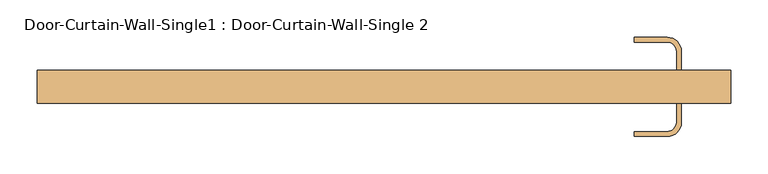
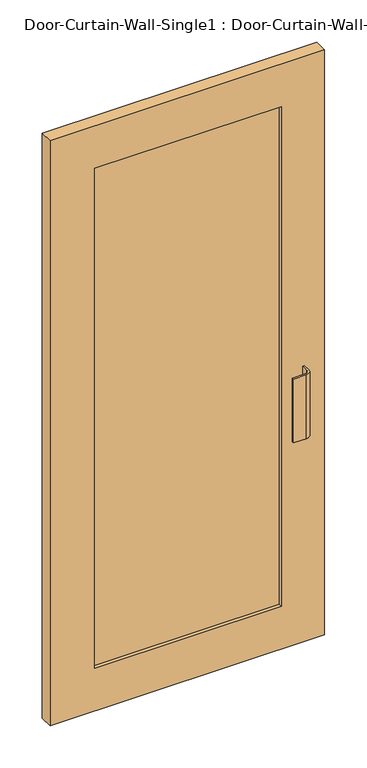
"""IFC4 building model written with IfcOpenShell, lengths in millimetres: door geometry, Door-Curtain-Wall-Single1 : Door-Curtain-Wall-Single 2."""

from ifc_helpers import new_model, si_unit, point, frame, frame_2d, origin, place, context, project, spatial, polyline, circle_curve, trimmed, segment, composite_curve, outline, extrude, source, transform, mapped, element, save


def door_curtain_wall_single1_door_curtain_wall_single_2_8e6265d3(model_context):
    return source(origin(), model_context, "Body", "SweptSolid", [
        extrude(outline(polyline([(2101.85, 466.725), (2101.85, -466.725), (0.0, -466.725), (0.0, 466.725), (2101.85, 466.725)]), holes=[polyline([(1949.45, -314.325), (1949.45, 320.675), (152.4, 320.675), (152.4, -314.325), (1949.45, -314.325)])]), frame((0.0, -57.15, 0.0), z_axis=(0.0, 1.0, 0.0), x_axis=(0.0, 0.0, 1.0)), (0.0, 0.0, 1.0), 44.45),
        extrude(outline(polyline([(320.675, -25.4), (320.675, -44.45), (-314.325, -44.45), (-314.325, -25.4), (320.675, -25.4)])), frame((0.0, 0.0, 152.4), z_axis=(0.0, 0.0, 1.0), x_axis=(1.0, 0.0, 0.0)), (0.0, 0.0, 1.0), 1797.05),
        extrude(outline(composite_curve([segment(polyline([(400.05, 12.7), (400.05, -12.7), (393.7, -12.7), (393.7, 12.7)]), True, "CONTINUOUS"), segment(trimmed(circle_curve(frame_2d((381.0, 12.7)), 12.7), [point((393.7, 12.7))], [point((381.0, 25.4))], True, "CARTESIAN"), True, "CONTINUOUS"), segment(polyline([(381.0, 25.4), (336.55, 25.4), (336.55, 31.75), (381.0, 31.75)]), True, "CONTINUOUS"), segment(trimmed(circle_curve(frame_2d((381.0, 12.7)), 19.05), [point((381.0, 31.75))], [point((400.05, 12.7))], False, "CARTESIAN"), True, "CONTINUOUS")], self_intersect=False)), frame((0.0, 0.0, 762.0), z_axis=(0.0, 0.0, 1.0), x_axis=(1.0, 0.0, 0.0)), (0.0, 0.0, 1.0), 228.6),
        extrude(outline(composite_curve([segment(trimmed(circle_curve(frame_2d((381.0, -82.55)), 19.05), [point((400.05, -82.55))], [point((381.0, -101.6))], False, "CARTESIAN"), True, "CONTINUOUS"), segment(polyline([(381.0, -101.6), (336.55, -101.6), (336.55, -95.25), (381.0, -95.25)]), True, "CONTINUOUS"), segment(trimmed(circle_curve(frame_2d((381.0, -82.55)), 12.7), [point((381.0, -95.25))], [point((393.7, -82.55))], True, "CARTESIAN"), True, "CONTINUOUS"), segment(polyline([(393.7, -82.55), (393.7, -57.15), (400.05, -57.15), (400.05, -82.55)]), True, "CONTINUOUS")], self_intersect=False)), frame((0.0, 0.0, 762.0), z_axis=(0.0, 0.0, 1.0), x_axis=(1.0, 0.0, 0.0)), (0.0, 0.0, 1.0), 228.6),
    ])


if __name__ == "__main__":
    model = new_model("IFC4")
    model_context = context("Model", 3, world=origin())
    ifc_project = project(units=[si_unit("LENGTHUNIT", "METRE", prefix="MILLI")], contexts=[model_context])
    site = spatial("IfcSite", under=ifc_project)
    building = spatial("IfcBuilding", under=site)
    placement = place(None, origin())
    door_curtain_wall_single1_door_curtain_wall_single_2_shape = door_curtain_wall_single1_door_curtain_wall_single_2_8e6265d3(model_context)
    element("IfcDoor", 1, ObjectType="Door-Curtain-Wall-Single1 : Door-Curtain-Wall-Single 2", at=placement, inside=building, context=model_context, shape_type="MappedRepresentation", body=[
        mapped(door_curtain_wall_single1_door_curtain_wall_single_2_shape, transform((0.0, 0.0, 0.0), x_axis=(1.0, 0.0, 0.0), y_axis=(0.0, 1.0, 0.0), z_axis=(0.0, 0.0, 1.0))),
    ])
    save(model, "model.ifc")
